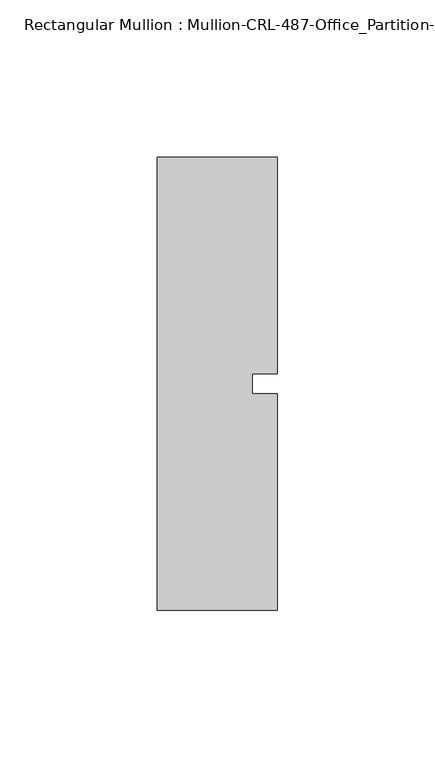
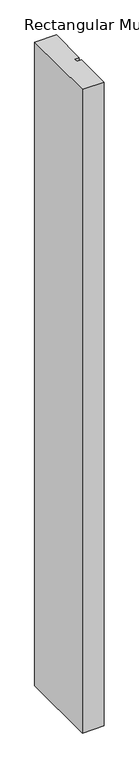
"""IFC4 building model written with IfcOpenShell, lengths in millimetres: member geometry, Rectangular Mullion : Mullion-CRL-487-Office_Partition-Intermediate_Door_Jamb."""

from ifc_helpers import new_model, si_unit, frame, origin, place, context, project, spatial, polyline, outline, extrude, source, transform, mapped, element, save


def rectangular_mullion_mullion_crl_487_office_partition_eee4c000(model_context):
    return source(origin(), model_context, "Body", "SweptSolid", [
        extrude(outline(polyline([(-19.05, -71.9452143), (-19.05, 71.9452142), (19.05, 71.9452142), (19.05, 3.175), (11.1125, 3.175), (11.1125, -3.175), (19.05, -3.175), (19.05, -71.9452143), (-19.05, -71.9452143)])), frame((0.0, 0.0, -1187.45), z_axis=(0.0, 0.0, 1.0), x_axis=(1.0, 0.0, 0.0)), (0.0, 0.0, 1.0), 1187.45),
    ])


if __name__ == "__main__":
    model = new_model("IFC4")
    model_context = context("Model", 3, world=origin())
    ifc_project = project(units=[si_unit("LENGTHUNIT", "METRE", prefix="MILLI")], contexts=[model_context])
    site = spatial("IfcSite", under=ifc_project)
    building = spatial("IfcBuilding", under=site)
    placement = place(None, origin())
    rectangular_mullion_mullion_crl_487_office_partition_shape = rectangular_mullion_mullion_crl_487_office_partition_eee4c000(model_context)
    element("IfcMember", 1, ObjectType="Rectangular Mullion : Mullion-CRL-487-Office_Partition-Intermediate_Door_Jamb", at=placement, inside=building, context=model_context, shape_type="MappedRepresentation", body=[
        mapped(rectangular_mullion_mullion_crl_487_office_partition_shape, transform((0.0, 0.0, 0.0), x_axis=(1.0, 0.0, 0.0), y_axis=(0.0, 1.0, 0.0), z_axis=(0.0, 0.0, 1.0))),
    ])
    save(model, "model.ifc")
